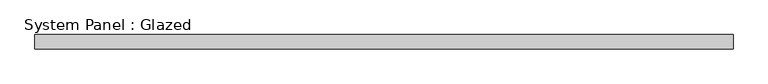
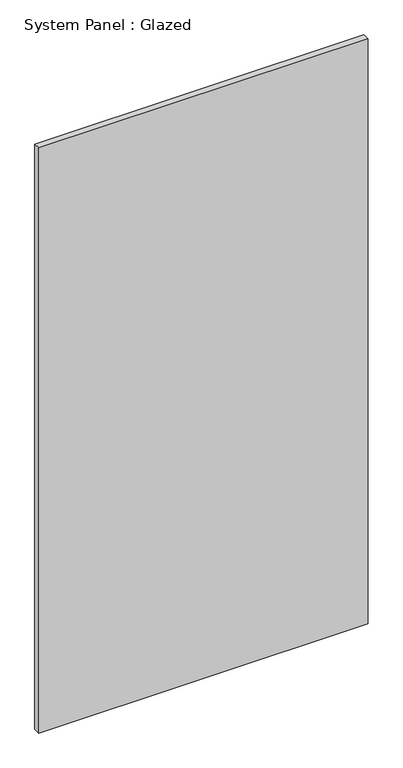
"""IFC4 building model written with IfcOpenShell, lengths in millimetres: plate geometry, System Panel : Glazed."""

from ifc_helpers import new_model, si_unit, origin, origin_with_axes, place, context, project, spatial, polyline, outline, extrude, source, transform, mapped, element, save


def system_panel_glazed_88664003(model_context):
    return source(origin(), model_context, "Body", "SweptSolid", [
        extrude(outline(polyline([(623.9022726, 19.05), (-623.9022726, 19.05), (-623.9022726, 44.45), (623.9022726, 44.45), (623.9022726, 19.05)])), origin_with_axes(), (0.0, 0.0, 1.0), 2343.15),
    ])


if __name__ == "__main__":
    model = new_model("IFC4")
    model_context = context("Model", 3, world=origin())
    ifc_project = project(units=[si_unit("LENGTHUNIT", "METRE", prefix="MILLI")], contexts=[model_context])
    site = spatial("IfcSite", under=ifc_project)
    building = spatial("IfcBuilding", under=site)
    placement = place(None, origin())
    system_panel_glazed_shape = system_panel_glazed_88664003(model_context)
    element("IfcPlate", 1, ObjectType="System Panel : Glazed", at=placement, inside=building, context=model_context, shape_type="MappedRepresentation", body=[
        mapped(system_panel_glazed_shape, transform((0.0, 0.0, 0.0), x_axis=(1.0, 0.0, 0.0), y_axis=(0.0, 1.0, 0.0), z_axis=(0.0, 0.0, 1.0))),
    ])
    save(model, "model.ifc")
